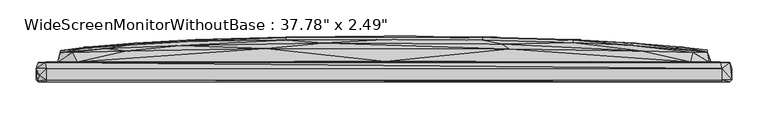
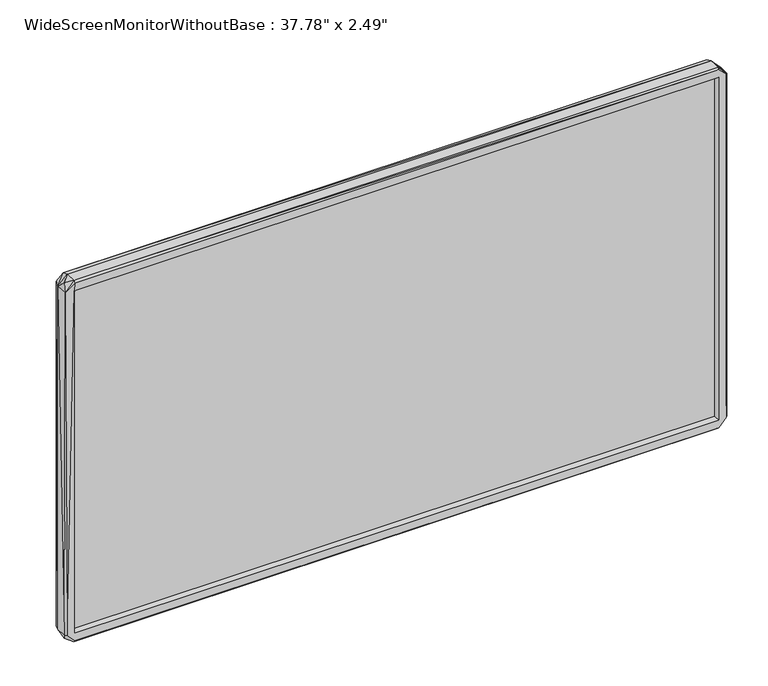
"""IFC4 building model written with IfcOpenShell, lengths in millimetres: furniture geometry."""

import ifcopenshell
import ifcopenshell.guid

model = None  # the IFC model being written
_history = None  # IfcOwnerHistory: only IFC2X3 demands one
_inside = {}  # id of a spatial element -> (the spatial element, [elements in it])
_under = {}  # id of a project, library or spatial element -> (it, [spatial elements below it])
_declared = {}  # id of a project -> (the project, [libraries it declares])
_typed = {}  # id of a type object -> (the type object, [elements of that type])
_made_of = {}  # id of a material, layer set ... -> (it, [elements and type objects made of it])


def new_model(schema):
    """Start an empty IFC model of exactly this schema.

    Asked for "IFC4X3", IfcOpenShell would pick the latest addendum, in which some entities
    have other attributes; the version numbers below select the first issue.
    IFC2X3 requires an IfcOwnerHistory on every rooted entity: one is made here for all.
    """
    global model, _history
    if schema == "IFC4X3":
        model = ifcopenshell.file(schema_version=(4, 3, 0, 0))
    else:
        model = ifcopenshell.file(schema=schema)
    _inside.clear()
    _under.clear()
    _declared.clear()
    _typed.clear()
    _made_of.clear()
    _history = None
    if model.schema == "IFC2X3":
        org = make("IfcOrganization", Name="unknown")
        user = make(
            "IfcPersonAndOrganization",
            ThePerson=make("IfcPerson", FamilyName="unknown"),
            TheOrganization=org,
        )
        app = make(
            "IfcApplication",
            ApplicationDeveloper=org,
            Version="unknown",
            ApplicationFullName="unknown",
            ApplicationIdentifier="unknown",
        )
        _history = make(
            "IfcOwnerHistory",
            OwningUser=user,
            OwningApplication=app,
            ChangeAction="ADDED",
            CreationDate=0,
        )
    return model


def make(cls, **values):
    """One entity of the class cls with the attributes given. An attribute that is None is left unset."""
    return model.create_entity(
        cls, **{name: value for name, value in values.items() if value is not None}
    )


def rooted(cls, **values):
    """An entity with a GlobalId (a new one), such as an element, a storey or a relation."""
    return make(cls, GlobalId=ifcopenshell.guid.new(), OwnerHistory=_history, **values)


def si_unit(unit_type, name, prefix=None):
    """IfcSIUnit, for example si_unit("LENGTHUNIT", "METRE", prefix="MILLI")."""
    return make("IfcSIUnit", UnitType=unit_type, Prefix=prefix, Name=name)


def assignment(units):
    """IfcUnitAssignment: the units of a project."""
    return None if units is None else make("IfcUnitAssignment", Units=units)


def point(xyz):
    """IfcCartesianPoint."""
    return None if xyz is None else make("IfcCartesianPoint", Coordinates=xyz)


def direction(xyz):
    """IfcDirection."""
    return None if xyz is None else make("IfcDirection", DirectionRatios=xyz)


def frame(location, z_axis=None, x_axis=None):
    """IfcAxis2Placement3D, a coordinate frame: its origin and axes. An axis left out is left unset."""
    return make(
        "IfcAxis2Placement3D",
        Location=point(location),
        Axis=direction(z_axis),
        RefDirection=direction(x_axis),
    )


def origin():
    """The frame at (0, 0, 0) with its axes left unset."""
    return frame((0.0, 0.0, 0.0))


def place(relative_to, where):
    """IfcLocalPlacement: puts the frame where relative to a parent placement (None: the world)."""
    return make(
        "IfcLocalPlacement", PlacementRelTo=relative_to, RelativePlacement=where
    )


def context(
    kind, dimensions, precision=None, world=None, true_north=None, identifier=None
):
    """IfcGeometricRepresentationContext, for example the 3D "Model" context."""
    return make(
        "IfcGeometricRepresentationContext",
        ContextIdentifier=identifier,
        ContextType=kind,
        CoordinateSpaceDimension=dimensions,
        Precision=precision,
        WorldCoordinateSystem=world,
        TrueNorth=true_north,
    )


def project(units=None, contexts=None):
    """IfcProject with its units and contexts."""
    return rooted(
        "IfcProject",
        Name="project",
        RepresentationContexts=contexts,
        UnitsInContext=assignment(units),
    )


def spatial(cls, under=None, at=None, **own):
    """A site, building, storey or space (cls), placed at a placement, below another one or the project."""
    s = rooted(cls, ObjectPlacement=at, **own)
    if under is not None:
        _under.setdefault(under.id(), (under, []))[1].append(s)
    return s


def point_list(points):
    """IfcCartesianPointList2D or 3D."""
    cls = (
        "IfcCartesianPointList2D" if len(points[0]) == 2 else "IfcCartesianPointList3D"
    )
    return make(cls, CoordList=points)


def triangles(points, corners, closed=None, point_numbers=None):
    """IfcTriangulatedFaceSet: each triangle names its three corners, points numbered from 1."""
    return make(
        "IfcTriangulatedFaceSet",
        Coordinates=point_list(points),
        Closed=closed,
        CoordIndex=corners,
        PnIndex=point_numbers,
    )


def shape(context_of_items, identifier, shape_type, items):
    """IfcShapeRepresentation: the items that make up one representation, for example the "Body"."""
    return make(
        "IfcShapeRepresentation",
        ContextOfItems=context_of_items,
        RepresentationIdentifier=identifier,
        RepresentationType=shape_type,
        Items=items,
    )


def source(mapping_origin, context_of_items, identifier, shape_type, items):
    """IfcRepresentationMap: a shape defined once, which mapped items show again and again."""
    return make(
        "IfcRepresentationMap",
        MappingOrigin=mapping_origin,
        MappedRepresentation=shape(context_of_items, identifier, shape_type, items),
    )


def transform(
    local_origin,
    x_axis=None,
    y_axis=None,
    z_axis=None,
    scale=None,
    scale2=None,
    scale3=None,
    uniform=True,
):
    """IfcCartesianTransformationOperator3D, or its non-uniform kind. x_axis, y_axis, z_axis: its Axis1, 2, 3."""
    if uniform:
        return make(
            "IfcCartesianTransformationOperator3D",
            Axis1=direction(x_axis),
            Axis2=direction(y_axis),
            LocalOrigin=point(local_origin),
            Scale=scale,
            Axis3=direction(z_axis),
        )
    return make(
        "IfcCartesianTransformationOperator3DnonUniform",
        Axis1=direction(x_axis),
        Axis2=direction(y_axis),
        LocalOrigin=point(local_origin),
        Scale=scale,
        Axis3=direction(z_axis),
        Scale2=scale2,
        Scale3=scale3,
    )


def mapped(mapping_source, mapping_target):
    """IfcMappedItem: shows the shape of a source again, moved by a transform."""
    return make(
        "IfcMappedItem", MappingSource=mapping_source, MappingTarget=mapping_target
    )


def made_of(thing, what):
    """Note that an element or type object is made of a material, layer set ...; save() writes the relation."""
    if what is not None:
        _made_of.setdefault(what.id(), (what, []))[1].append(thing)
    return thing


def element(
    cls,
    number,
    at=None,
    inside=None,
    cuts=None,
    type_object=None,
    material=None,
    context=None,
    identifier="Body",
    shape_type=None,
    held_by="IfcProductDefinitionShape",
    body=None,
    shapes=None,
    **own,
):
    """One element of the class cls, such as IfcWall. Its Tag is "e" and its number.

    at: its placement. inside: the storey or other place that contains it. cuts: it is an
    opening in that element (IfcRelVoidsElement). A single representation is given by context,
    identifier, shape_type and body (its items); several are given by shapes. held_by: the class
    of the entity that holds the representations. save() writes the other relations.
    """
    e = rooted(cls, Tag="e%d" % number, ObjectPlacement=at, **own)
    if body is not None:
        shapes = [shape(context, identifier, shape_type, body)]
    if shapes is not None:
        e.Representation = make(held_by, Representations=shapes)
    if inside is not None:
        _inside.setdefault(inside.id(), (inside, []))[1].append(e)
    if cuts is not None:
        rooted(
            "IfcRelVoidsElement", RelatingBuildingElement=cuts, RelatedOpeningElement=e
        )
    if type_object is not None:
        _typed.setdefault(type_object.id(), (type_object, []))[1].append(e)
    return made_of(e, material)


def aggregate(whole, parts):
    """IfcRelAggregates: a whole, such as a stair, and the parts it consists of."""
    return rooted("IfcRelAggregates", RelatingObject=whole, RelatedObjects=parts)


def save(model, path):
    """Write the relations noted so far, then the file.

    IfcRelAggregates (storeys below a building ...), IfcRelContainedInSpatialStructure (elements
    in a storey), IfcRelDefinesByType, IfcRelAssociatesMaterial and IfcRelDeclares: one each for
    every whole, place, type object, material and project.
    """
    for whole, parts in _under.values():
        aggregate(whole, parts)
    for where, things in _inside.values():
        rooted(
            "IfcRelContainedInSpatialStructure",
            RelatedElements=things,
            RelatingStructure=where,
        )
    for kind, things in _typed.values():
        rooted("IfcRelDefinesByType", RelatedObjects=things, RelatingType=kind)
    for what, things in _made_of.values():
        rooted("IfcRelAssociatesMaterial", RelatedObjects=things, RelatingMaterial=what)
    for by, libraries in _declared.values():
        rooted("IfcRelDeclares", RelatingContext=by, RelatedDefinitions=libraries)
    model.write(path)


def furniture_ee2d6b88(model_context):
    return source(origin(), model_context, "Body", "Tessellation", [
        triangles([(463.3285503, 4.1466929, 17.551227), (463.3285503, 4.1466929, 535.40075), (463.3285503, 1.8466926, 17.551227), (463.3285503, 1.8466926, 535.40075), (-463.2796071, 1.8466412, 535.40075), (-463.2796071, 4.1466415, 535.40075), (-463.2796071, 4.1466415, 17.551227), (-463.2796071, 1.8466412, 17.551227)], [[1, 2, 3], [3, 2, 4], [5, 4, 2], [5, 2, 6], [7, 1, 3], [7, 3, 8], [7, 6, 1], [7, 8, 5], [7, 5, 6], [8, 3, 4], [8, 4, 5], [1, 6, 2]]),
        triangles([(-479.8060329, 14.5199735, 14.4410233), (-479.8060329, -1.2800267, 14.4410233), (-479.706039, 14.5199735, 538.7084332), (-476.9060283, 22.9199741, 13.6410233), (-476.1060408, 5.2199734, 4.5410237), (-477.0060585, 22.9199741, 540.3084083), (-477.1060524, -4.0800264, 14.2410241), (-478.6060335, -2.4800264, 538.7084332), (-466.3060212, -4.0800258, 14.2410241), (-466.3060212, -4.0800258, 538.7084332), (-466.0060395, -4.0800258, 2.6410236), (-466.0060395, -1.280026, 0.0410237), (-449.8060472, 23.4199754, 48.4410249), (-418.9998608, 23.5199761, 25.7410228), (-468.7060564, 22.9199741, 3.3410238), (-466.0060395, 14.5199747, 0.0410237), (463.8052291, 22.9200263, 2.7410235), (466.2052279, -4.0799739, 2.7410235), (466.3052218, -4.0799739, 14.2410241), (-463.3060226, 1.8199742, 17.5410226), (463.3052233, 1.8200257, 17.5410226), (466.2052279, -1.279974, 0.0410237), (466.2052279, 14.5200269, 0.0410237), (-463.3060226, 7.8199731, 17.5410226), (-463.3060226, 7.8199731, 535.408453), (-463.3060226, 1.8199742, 535.408453), (463.3052233, 7.8200248, 17.5410226), (-11.5504055, 7.92, 272.5247353), (-449.8060472, 23.4199754, 504.5084496), (-445.806037, 36.9855581, 70.7977634), (-428.3998684, 36.1855593, 33.9410219), (-445.9060309, 39.1855578, 386.238234), (422.1990478, 23.5200238, 25.7410228), (-395.6998658, 37.1855618, 29.5410225), (3.049591, 42.1855837, 29.5410225), (330.3928782, 38.9855973, 29.5410225), (427.6990754, 36.1856047, 33.4410229), (448.4052243, 23.4200253, 45.2410203), (476.9052289, 22.9200263, 14.9410234), (445.8052377, 37.0856065, 73.2977607), (450.5052415, 23.9200243, 245.6679807), (463.3052233, 7.8200248, 535.408453), (463.3052233, 1.8200257, 535.408453), (475.8052234, 4.6200268, 4.0410236), (479.8052336, -1.2799733, 14.2410241), (477.2052106, -4.0799733, 14.5410229), (466.3052218, -4.0799739, 538.7084332), (479.8052336, 14.520028, 14.3410237), (477.1052167, 22.9200263, 539.5083844), (479.8052336, 14.520028, 538.4084152), (479.6052458, -1.2799733, 539.0084513), (477.0052228, -4.0799733, 540.6083899), (-337.5936378, 47.1855646, 128.6545108), (-275.5813075, 40.1855649, 29.5410225), (-160.8689235, 48.4855761, 75.997764), (-260.4813025, 50.585566, 128.5545078), (82.961951, 49.2855863, 75.997764), (281.9867123, 46.2856014, 80.4977664), (354.3929031, 46.1856029, 127.6545083), (410.0990596, 42.6856076, 144.8545031), (-445.9060309, 39.5855561, 186.1112417), (-410.099859, 44.3855584, 247.8679918), (-342.5936597, 49.3855666, 203.3679827), (-135.2689236, 53.5855737, 129.3545044), (0.0495918, 54.4855823, 128.7544956), (135.2681787, 53.4855889, 127.5545053), (260.4805213, 52.5855938, 176.4112342), (445.9052316, 39.4856076, 176.811228), (445.9052316, 39.6856091, 351.1814713), (445.8052377, 36.9856104, 481.851693), (-260.4813025, 53.5855646, 203.3679827), (-135.2689236, 57.0855735, 203.3679827), (0.0495916, 58.185579, 203.3679827), (135.2681787, 57.0855871, 203.3679827), (344.9928592, 49.1856015, 203.3679827), (410.0990596, 44.3856038, 304.1814876), (260.4805213, 54.485596, 276.3247577), (343.7928961, 49.9855981, 276.3247577), (448.7052423, 23.4200253, 506.7084606), (-343.7936591, 49.9855618, 276.3247577), (-344.9936585, 49.1855606, 349.1814843), (-410.099859, 42.6855622, 406.4949918), (-260.4813025, 54.4855687, 276.3247577), (-135.2689236, 58.0855761, 276.3247577), (0.0495915, 59.28558, 276.3247577), (135.2681787, 58.0855897, 276.3247577), (-260.4813025, 52.5855666, 376.2382267), (-135.2689236, 57.0855735, 349.1814843), (0.0495916, 58.185579, 349.1814843), (135.2681787, 57.0855871, 349.1814843), (260.4805213, 53.5855964, 349.1814843), (342.5928603, 49.3856029, 349.1814843), (-350.8936618, 46.7855618, 417.3949805), (-135.2689236, 53.4855707, 424.9949527), (0.0495918, 54.4855823, 423.8949835), (135.2681787, 53.5855873, 423.2949474), (260.4805213, 50.5855978, 424.0949713), (337.5928748, 47.1856055, 423.8949835), (-445.7060431, 36.5855576, 491.5516823), (-280.8874879, 46.2855696, 472.5517156), (-383.6998715, 41.8855611, 473.6516848), (-83.3627623, 49.2855772, 476.6516833), (162.3681779, 48.3855913, 476.6516833), (355.8928843, 38.4856006, 523.2084346), (426.6990274, 36.1856047, 519.3084546), (-430.2060445, 36.1855593, 517.608413), (-356.2936592, 38.4855642, 523.2084346), (-163.2689223, 41.6855733, 523.2084346), (172.768179, 41.585593, 523.2084346), (-475.8060227, 4.6199737, 548.9084284), (-466.3060212, 14.5199747, 552.8084084), (-467.206039, 22.9199741, 550.0084339), (-466.1060334, -1.280026, 552.9084386), (-466.1060334, -4.0800258, 550.2083854), (-422.999871, 23.5199761, 526.9083904), (1.8495921, 24.3199999, 527.5084265), (464.205241, 22.9200263, 550.2083854), (466.2052279, 14.5200269, 552.8084084), (466.0052402, -4.0799739, 550.3084156), (466.1052341, -1.279974, 552.9084386), (422.8990414, 23.5200238, 527.1084146)], [[1, 2, 3], [1, 4, 5], [1, 5, 2], [1, 3, 6], [1, 6, 4], [2, 7, 8], [2, 5, 7], [2, 8, 3], [7, 9, 10], [7, 11, 9], [7, 5, 12], [7, 12, 11], [7, 10, 8], [4, 13, 14], [4, 14, 15], [4, 6, 13], [4, 15, 5], [5, 15, 16], [5, 16, 12], [15, 14, 17], [15, 17, 16], [9, 11, 18], [9, 18, 19], [9, 20, 10], [9, 21, 20], [9, 19, 21], [11, 12, 22], [11, 22, 18], [12, 16, 23], [12, 23, 22], [16, 17, 23], [20, 21, 24], [20, 24, 25], [20, 26, 10], [20, 25, 26], [24, 21, 27], [24, 27, 28], [24, 28, 25], [13, 6, 29], [13, 30, 31], [13, 32, 30], [13, 29, 32], [13, 31, 14], [14, 33, 17], [14, 31, 34], [14, 34, 35], [14, 35, 33], [33, 35, 36], [33, 36, 37], [33, 37, 38], [33, 38, 39], [33, 39, 17], [38, 40, 41], [38, 37, 40], [38, 41, 39], [27, 21, 42], [27, 42, 28], [21, 19, 43], [21, 43, 42], [17, 39, 23], [23, 39, 44], [23, 44, 22], [22, 44, 45], [22, 45, 18], [18, 46, 19], [18, 45, 46], [19, 47, 43], [19, 46, 47], [44, 39, 48], [44, 48, 45], [39, 41, 49], [39, 49, 50], [39, 50, 48], [46, 51, 52], [46, 52, 47], [46, 45, 51], [45, 48, 50], [45, 50, 51], [31, 30, 53], [31, 53, 34], [34, 54, 35], [34, 55, 54], [34, 53, 56], [34, 56, 55], [54, 55, 35], [35, 55, 57], [35, 57, 36], [36, 57, 58], [36, 58, 37], [37, 58, 59], [37, 59, 60], [37, 60, 40], [30, 61, 62], [30, 62, 63], [30, 63, 53], [30, 32, 61], [55, 56, 64], [55, 64, 65], [55, 65, 57], [57, 65, 66], [57, 66, 58], [58, 66, 67], [58, 67, 59], [40, 68, 69], [40, 69, 70], [40, 60, 68], [40, 70, 41], [53, 63, 71], [53, 71, 56], [56, 71, 72], [56, 72, 64], [64, 72, 73], [64, 73, 65], [65, 73, 74], [65, 74, 66], [66, 74, 67], [59, 67, 75], [59, 75, 60], [60, 75, 76], [60, 76, 68], [61, 32, 62], [67, 74, 77], [67, 77, 78], [67, 78, 75], [68, 76, 69], [41, 70, 79], [41, 79, 49], [62, 80, 63], [62, 81, 80], [62, 32, 82], [62, 82, 81], [63, 80, 83], [63, 83, 71], [71, 83, 84], [71, 84, 72], [72, 84, 85], [72, 85, 73], [73, 85, 86], [73, 86, 74], [74, 86, 77], [75, 78, 76], [28, 42, 25], [80, 81, 87], [80, 87, 83], [83, 88, 84], [83, 87, 88], [84, 88, 89], [84, 89, 85], [85, 89, 90], [85, 90, 86], [86, 90, 91], [86, 91, 77], [77, 91, 92], [77, 92, 78], [78, 92, 76], [81, 82, 93], [81, 93, 87], [88, 87, 94], [88, 94, 95], [88, 95, 89], [89, 95, 96], [89, 96, 90], [90, 96, 97], [90, 97, 91], [91, 97, 98], [91, 98, 92], [92, 98, 70], [92, 70, 76], [76, 70, 69], [32, 29, 99], [32, 99, 82], [87, 93, 100], [87, 100, 94], [82, 99, 101], [82, 101, 93], [93, 101, 100], [94, 100, 102], [94, 102, 95], [95, 102, 103], [95, 103, 96], [96, 103, 97], [97, 103, 104], [97, 104, 98], [98, 104, 105], [98, 105, 70], [99, 29, 106], [99, 106, 101], [101, 106, 107], [101, 107, 100], [100, 107, 108], [100, 108, 102], [102, 108, 109], [102, 109, 103], [103, 109, 104], [70, 105, 79], [3, 110, 111], [3, 111, 112], [3, 112, 6], [3, 8, 110], [8, 113, 110], [8, 114, 113], [8, 10, 114], [6, 112, 115], [6, 115, 29], [110, 113, 111], [112, 116, 115], [112, 117, 116], [112, 111, 118], [112, 118, 117], [10, 26, 47], [10, 119, 114], [10, 47, 119], [111, 113, 118], [113, 120, 118], [113, 114, 119], [113, 119, 120], [26, 25, 43], [26, 43, 47], [25, 42, 43], [29, 115, 106], [115, 116, 108], [115, 107, 106], [115, 108, 107], [116, 117, 121], [116, 121, 109], [116, 109, 108], [121, 79, 105], [121, 104, 109], [121, 105, 104], [121, 117, 49], [121, 49, 79], [117, 118, 49], [119, 52, 120], [119, 47, 52], [120, 52, 51], [120, 51, 118], [118, 51, 49], [49, 51, 50]]),
    ])


if __name__ == "__main__":
    model = new_model("IFC4")
    model_context = context("Model", 3, world=origin())
    ifc_project = project(units=[si_unit("LENGTHUNIT", "METRE", prefix="MILLI")], contexts=[model_context])
    site = spatial("IfcSite", under=ifc_project)
    building = spatial("IfcBuilding", under=site)
    placement = place(None, origin())
    furniture_shape = furniture_ee2d6b88(model_context)
    element("IfcFurniture", 1, ObjectType="WideScreenMonitorWithoutBase : 37.78\" x 2.49\"", at=placement, inside=building, context=model_context, shape_type="MappedRepresentation", body=[
        mapped(furniture_shape, transform((0.0, 0.0, 0.0), x_axis=(1.0, 0.0, 0.0), y_axis=(0.0, 1.0, 0.0), z_axis=(0.0, 0.0, 1.0))),
    ])
    save(model, "model.ifc")
